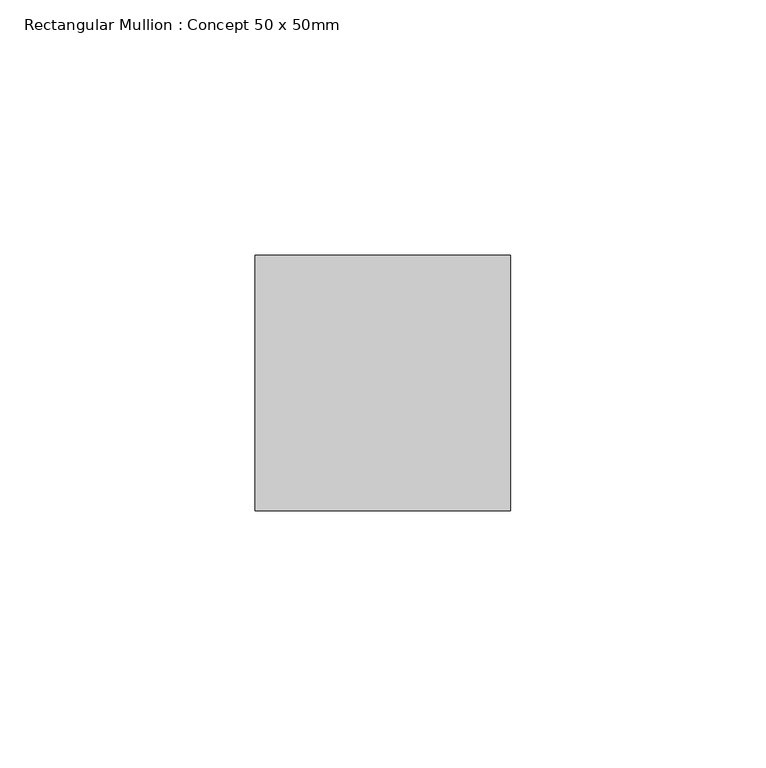
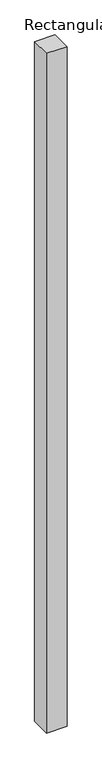
"""IFC4 building model written with IfcOpenShell, lengths in millimetres: member geometry, Rectangular Mullion : Concept 50 x 50mm."""

from ifc_helpers import new_model, si_unit, frame, origin, place, context, project, spatial, polyline, outline, extrude, source, transform, mapped, element, save


def rectangular_mullion_concept_50_x_50mm_50c2cd3e(model_context):
    return source(origin(), model_context, "Body", "SweptSolid", [
        extrude(outline(polyline([(0.0, 50.0), (0.0, 0.0), (-50.0, 0.0), (-50.0, 50.0), (0.0, 50.0)])), frame((0.0, 0.0, -1760.0), z_axis=(0.0, 0.0, 1.0), x_axis=(1.0, 0.0, 0.0)), (0.0, 0.0, 1.0), 1760.0),
    ])


if __name__ == "__main__":
    model = new_model("IFC4")
    model_context = context("Model", 3, world=origin())
    ifc_project = project(units=[si_unit("LENGTHUNIT", "METRE", prefix="MILLI")], contexts=[model_context])
    site = spatial("IfcSite", under=ifc_project)
    building = spatial("IfcBuilding", under=site)
    placement = place(None, origin())
    rectangular_mullion_concept_50_x_50mm_shape = rectangular_mullion_concept_50_x_50mm_50c2cd3e(model_context)
    element("IfcMember", 1, ObjectType="Rectangular Mullion : Concept 50 x 50mm", at=placement, inside=building, context=model_context, shape_type="MappedRepresentation", body=[
        mapped(rectangular_mullion_concept_50_x_50mm_shape, transform((0.0, 0.0, 0.0), x_axis=(1.0, 0.0, 0.0), y_axis=(0.0, 1.0, 0.0), z_axis=(0.0, 0.0, 1.0))),
    ])
    save(model, "model.ifc")
